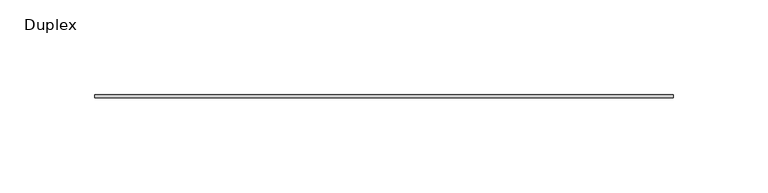
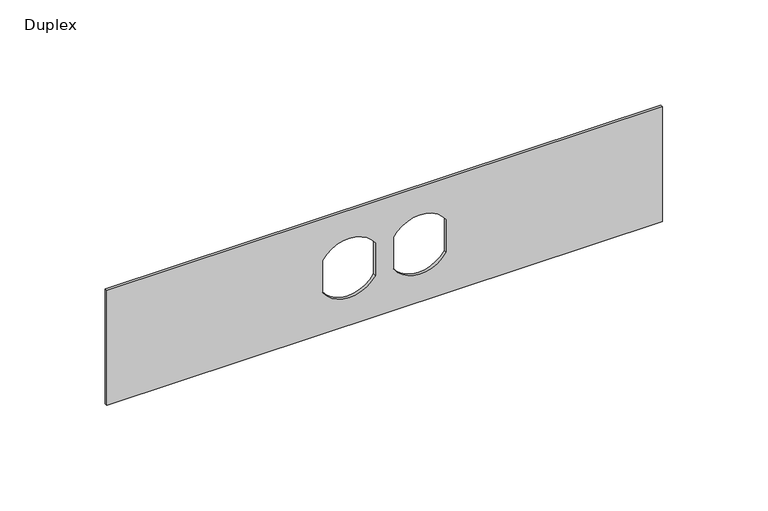
"""IFC4 building model written with IfcOpenShell, lengths in millimetres: furniture geometry, Duplex."""

from ifc_helpers import new_model, si_unit, point, frame, frame_2d, origin, place, context, project, spatial, polyline, circle_curve, trimmed, segment, composite_curve, outline, extrude, source, transform, mapped, element, save


def duplex_1f43847c(model_context):
    return source(origin(), model_context, "Body", "SweptSolid", [
        extrude(outline(polyline([(1031.875, 171.1377049), (1031.875, -133.6622951), (965.2, -133.6622951), (965.2, 171.1377049), (1031.875, 171.1377049)]), holes=[composite_curve([segment(polyline([(1007.8640625, 13.6775487), (989.2384118, 13.6775487)]), True, "CONTINUOUS"), segment(trimmed(circle_curve(frame_2d((998.5375, -0.7091701)), 17.1304033), [point((989.2384118, 13.6775487))], [point((989.0866767, -14.9966701))], True, "CARTESIAN"), True, "CONTINUOUS"), segment(polyline([(989.0866767, -14.9966701), (1007.8640625, -14.9966701)]), True, "CONTINUOUS"), segment(trimmed(circle_curve(frame_2d((998.4886685, -0.6595607)), 17.1304033), [point((1007.8640625, -14.9966701))], [point((1007.8640625, 13.6775487))], True, "CARTESIAN"), True, "CONTINUOUS")], self_intersect=False), composite_curve([segment(trimmed(circle_curve(frame_2d((998.5375, 38.1845799)), 17.1304033), [point((1007.8365882, 23.7978612))], [point((1007.9883233, 52.4720799))], True, "CARTESIAN"), True, "CONTINUOUS"), segment(polyline([(1007.9883233, 52.4720799), (989.0866767, 52.4720799)]), True, "CONTINUOUS"), segment(trimmed(circle_curve(frame_2d((998.5375, 38.1845799)), 17.1304033), [point((989.0866767, 52.4720799))], [point((989.2384118, 23.7978612))], True, "CARTESIAN"), True, "CONTINUOUS"), segment(polyline([(989.2384118, 23.7978612), (1007.8365882, 23.7978612)]), True, "CONTINUOUS")], self_intersect=False)]), frame((0.0, -1.5875, 0.0), z_axis=(0.0, 1.0, 0.0), x_axis=(0.0, 0.0, 1.0)), (0.0, 0.0, 1.0), 1.5875),
    ])


if __name__ == "__main__":
    model = new_model("IFC4")
    model_context = context("Model", 3, world=origin())
    ifc_project = project(units=[si_unit("LENGTHUNIT", "METRE", prefix="MILLI")], contexts=[model_context])
    site = spatial("IfcSite", under=ifc_project)
    building = spatial("IfcBuilding", under=site)
    placement = place(None, origin())
    duplex_shape = duplex_1f43847c(model_context)
    element("IfcFurniture", 1, ObjectType="Duplex", at=placement, inside=building, context=model_context, shape_type="MappedRepresentation", body=[
        mapped(duplex_shape, transform((0.0, 0.0, 0.0), x_axis=(1.0, 0.0, 0.0), y_axis=(0.0, 1.0, 0.0), z_axis=(0.0, 0.0, 1.0))),
    ])
    save(model, "model.ifc")
